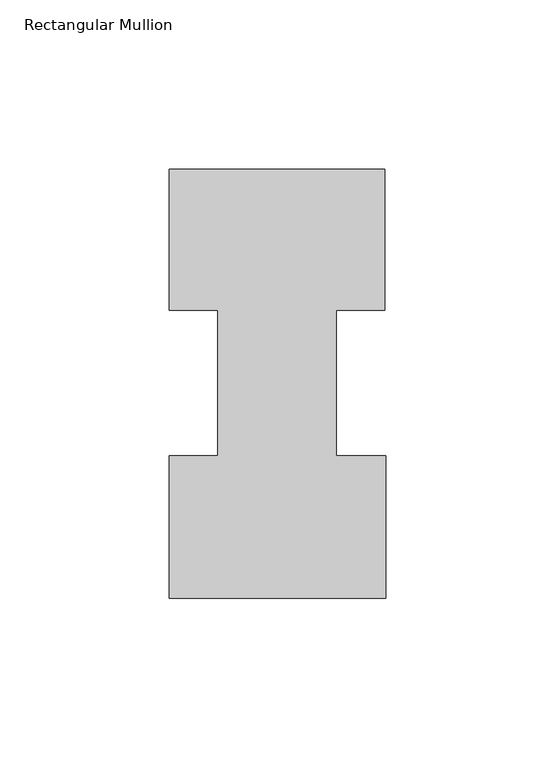
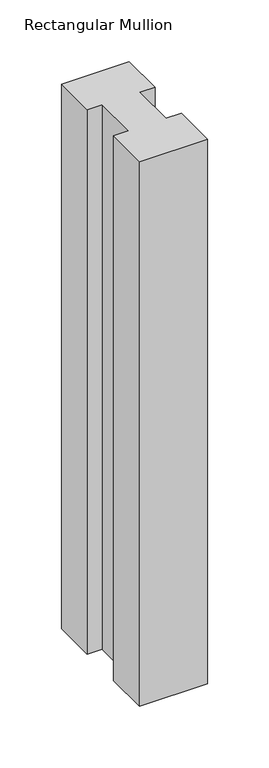
"""IFC4 building model written with IfcOpenShell, lengths in millimetres: member geometry, Rectangular Mullion."""

from ifc_helpers import new_model, si_unit, frame, origin, place, context, project, spatial, polyline, outline, extrude, source, transform, mapped, element, save


def rectangular_mullion_69993e64(model_context):
    return source(origin(), model_context, "Body", "SweptSolid", [
        extrude(outline(polyline([(-63.5, 0.2428875), (-63.5, 42.2798875), (-49.21504, 42.2798875), (-49.21504, 85.1296875), (-63.5, 85.1296875), (-63.5, 126.7348875), (0.0, 126.7348875), (0.0, 85.1296875), (-14.2748, 85.1296875), (-14.2748, 42.2798875), (0.2408142, 42.2798875), (0.2408142, 0.2428875), (-63.5, 0.2428875)])), frame((0.0, 0.0, -539.75), z_axis=(0.0, 0.0, 1.0), x_axis=(1.0, 0.0, 0.0)), (0.0, 0.0, 1.0), 539.75),
    ])


if __name__ == "__main__":
    model = new_model("IFC4")
    model_context = context("Model", 3, world=origin())
    ifc_project = project(units=[si_unit("LENGTHUNIT", "METRE", prefix="MILLI")], contexts=[model_context])
    site = spatial("IfcSite", under=ifc_project)
    building = spatial("IfcBuilding", under=site)
    placement = place(None, origin())
    rectangular_mullion_shape = rectangular_mullion_69993e64(model_context)
    element("IfcMember", 1, ObjectType="Rectangular Mullion", at=placement, inside=building, context=model_context, shape_type="MappedRepresentation", body=[
        mapped(rectangular_mullion_shape, transform((0.0, 0.0, 0.0), x_axis=(1.0, 0.0, 0.0), y_axis=(0.0, 1.0, 0.0), z_axis=(0.0, 0.0, 1.0))),
    ])
    save(model, "model.ifc")
